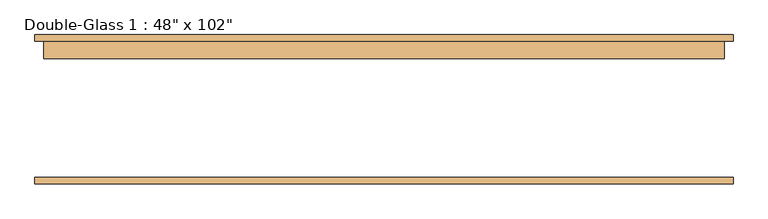
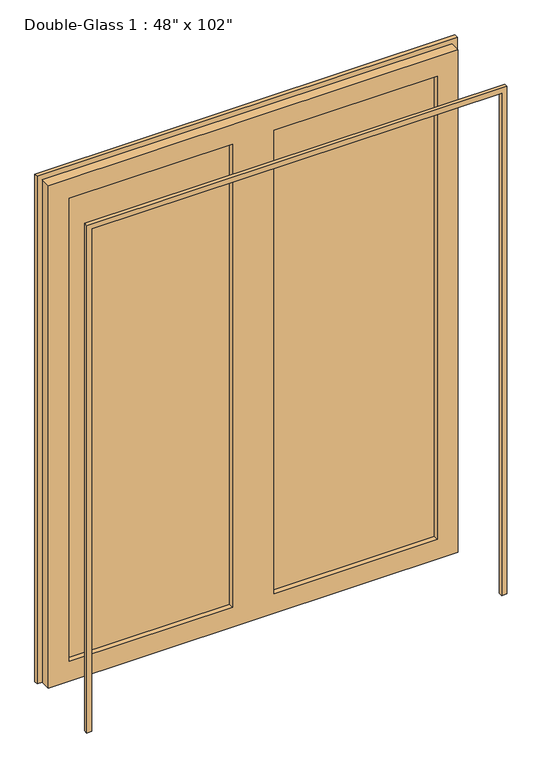
"""IFC4 building model written with IfcOpenShell, lengths in millimetres: door geometry."""

import ifcopenshell
import ifcopenshell.guid

model = None  # the IFC model being written
_history = None  # IfcOwnerHistory: only IFC2X3 demands one
_inside = {}  # id of a spatial element -> (the spatial element, [elements in it])
_under = {}  # id of a project, library or spatial element -> (it, [spatial elements below it])
_declared = {}  # id of a project -> (the project, [libraries it declares])
_typed = {}  # id of a type object -> (the type object, [elements of that type])
_made_of = {}  # id of a material, layer set ... -> (it, [elements and type objects made of it])


def new_model(schema):
    """Start an empty IFC model of exactly this schema.

    Asked for "IFC4X3", IfcOpenShell would pick the latest addendum, in which some entities
    have other attributes; the version numbers below select the first issue.
    IFC2X3 requires an IfcOwnerHistory on every rooted entity: one is made here for all.
    """
    global model, _history
    if schema == "IFC4X3":
        model = ifcopenshell.file(schema_version=(4, 3, 0, 0))
    else:
        model = ifcopenshell.file(schema=schema)
    _inside.clear()
    _under.clear()
    _declared.clear()
    _typed.clear()
    _made_of.clear()
    _history = None
    if model.schema == "IFC2X3":
        org = make("IfcOrganization", Name="unknown")
        user = make(
            "IfcPersonAndOrganization",
            ThePerson=make("IfcPerson", FamilyName="unknown"),
            TheOrganization=org,
        )
        app = make(
            "IfcApplication",
            ApplicationDeveloper=org,
            Version="unknown",
            ApplicationFullName="unknown",
            ApplicationIdentifier="unknown",
        )
        _history = make(
            "IfcOwnerHistory",
            OwningUser=user,
            OwningApplication=app,
            ChangeAction="ADDED",
            CreationDate=0,
        )
    return model


def make(cls, **values):
    """One entity of the class cls with the attributes given. An attribute that is None is left unset."""
    return model.create_entity(
        cls, **{name: value for name, value in values.items() if value is not None}
    )


def rooted(cls, **values):
    """An entity with a GlobalId (a new one), such as an element, a storey or a relation."""
    return make(cls, GlobalId=ifcopenshell.guid.new(), OwnerHistory=_history, **values)


def si_unit(unit_type, name, prefix=None):
    """IfcSIUnit, for example si_unit("LENGTHUNIT", "METRE", prefix="MILLI")."""
    return make("IfcSIUnit", UnitType=unit_type, Prefix=prefix, Name=name)


def assignment(units):
    """IfcUnitAssignment: the units of a project."""
    return None if units is None else make("IfcUnitAssignment", Units=units)


def point(xyz):
    """IfcCartesianPoint."""
    return None if xyz is None else make("IfcCartesianPoint", Coordinates=xyz)


def direction(xyz):
    """IfcDirection."""
    return None if xyz is None else make("IfcDirection", DirectionRatios=xyz)


def frame(location, z_axis=None, x_axis=None):
    """IfcAxis2Placement3D, a coordinate frame: its origin and axes. An axis left out is left unset."""
    return make(
        "IfcAxis2Placement3D",
        Location=point(location),
        Axis=direction(z_axis),
        RefDirection=direction(x_axis),
    )


def origin():
    """The frame at (0, 0, 0) with its axes left unset."""
    return frame((0.0, 0.0, 0.0))


def place(relative_to, where):
    """IfcLocalPlacement: puts the frame where relative to a parent placement (None: the world)."""
    return make(
        "IfcLocalPlacement", PlacementRelTo=relative_to, RelativePlacement=where
    )


def context(
    kind, dimensions, precision=None, world=None, true_north=None, identifier=None
):
    """IfcGeometricRepresentationContext, for example the 3D "Model" context."""
    return make(
        "IfcGeometricRepresentationContext",
        ContextIdentifier=identifier,
        ContextType=kind,
        CoordinateSpaceDimension=dimensions,
        Precision=precision,
        WorldCoordinateSystem=world,
        TrueNorth=true_north,
    )


def project(units=None, contexts=None):
    """IfcProject with its units and contexts."""
    return rooted(
        "IfcProject",
        Name="project",
        RepresentationContexts=contexts,
        UnitsInContext=assignment(units),
    )


def spatial(cls, under=None, at=None, **own):
    """A site, building, storey or space (cls), placed at a placement, below another one or the project."""
    s = rooted(cls, ObjectPlacement=at, **own)
    if under is not None:
        _under.setdefault(under.id(), (under, []))[1].append(s)
    return s


def polyline(points):
    """IfcPolyline through the points."""
    return make("IfcPolyline", Points=[point(p) for p in points])


def outline(outer, holes=None, kind="AREA"):
    """IfcArbitraryClosedProfileDef: a profile drawn as a closed curve; with holes, ...WithVoids."""
    if holes is None:
        return make("IfcArbitraryClosedProfileDef", ProfileType=kind, OuterCurve=outer)
    return make(
        "IfcArbitraryProfileDefWithVoids",
        ProfileType=kind,
        OuterCurve=outer,
        InnerCurves=holes,
    )


def extrude(swept, where, along, depth):
    """IfcExtrudedAreaSolid: the profile swept, set in the frame where, extruded along a direction by depth."""
    return make(
        "IfcExtrudedAreaSolid",
        SweptArea=swept,
        Position=where,
        ExtrudedDirection=direction(along),
        Depth=depth,
    )


def shape(context_of_items, identifier, shape_type, items):
    """IfcShapeRepresentation: the items that make up one representation, for example the "Body"."""
    return make(
        "IfcShapeRepresentation",
        ContextOfItems=context_of_items,
        RepresentationIdentifier=identifier,
        RepresentationType=shape_type,
        Items=items,
    )


def source(mapping_origin, context_of_items, identifier, shape_type, items):
    """IfcRepresentationMap: a shape defined once, which mapped items show again and again."""
    return make(
        "IfcRepresentationMap",
        MappingOrigin=mapping_origin,
        MappedRepresentation=shape(context_of_items, identifier, shape_type, items),
    )


def transform(
    local_origin,
    x_axis=None,
    y_axis=None,
    z_axis=None,
    scale=None,
    scale2=None,
    scale3=None,
    uniform=True,
):
    """IfcCartesianTransformationOperator3D, or its non-uniform kind. x_axis, y_axis, z_axis: its Axis1, 2, 3."""
    if uniform:
        return make(
            "IfcCartesianTransformationOperator3D",
            Axis1=direction(x_axis),
            Axis2=direction(y_axis),
            LocalOrigin=point(local_origin),
            Scale=scale,
            Axis3=direction(z_axis),
        )
    return make(
        "IfcCartesianTransformationOperator3DnonUniform",
        Axis1=direction(x_axis),
        Axis2=direction(y_axis),
        LocalOrigin=point(local_origin),
        Scale=scale,
        Axis3=direction(z_axis),
        Scale2=scale2,
        Scale3=scale3,
    )


def mapped(mapping_source, mapping_target):
    """IfcMappedItem: shows the shape of a source again, moved by a transform."""
    return make(
        "IfcMappedItem", MappingSource=mapping_source, MappingTarget=mapping_target
    )


def made_of(thing, what):
    """Note that an element or type object is made of a material, layer set ...; save() writes the relation."""
    if what is not None:
        _made_of.setdefault(what.id(), (what, []))[1].append(thing)
    return thing


def element(
    cls,
    number,
    at=None,
    inside=None,
    cuts=None,
    type_object=None,
    material=None,
    context=None,
    identifier="Body",
    shape_type=None,
    held_by="IfcProductDefinitionShape",
    body=None,
    shapes=None,
    **own,
):
    """One element of the class cls, such as IfcWall. Its Tag is "e" and its number.

    at: its placement. inside: the storey or other place that contains it. cuts: it is an
    opening in that element (IfcRelVoidsElement). A single representation is given by context,
    identifier, shape_type and body (its items); several are given by shapes. held_by: the class
    of the entity that holds the representations. save() writes the other relations.
    """
    e = rooted(cls, Tag="e%d" % number, ObjectPlacement=at, **own)
    if body is not None:
        shapes = [shape(context, identifier, shape_type, body)]
    if shapes is not None:
        e.Representation = make(held_by, Representations=shapes)
    if inside is not None:
        _inside.setdefault(inside.id(), (inside, []))[1].append(e)
    if cuts is not None:
        rooted(
            "IfcRelVoidsElement", RelatingBuildingElement=cuts, RelatedOpeningElement=e
        )
    if type_object is not None:
        _typed.setdefault(type_object.id(), (type_object, []))[1].append(e)
    return made_of(e, material)


def aggregate(whole, parts):
    """IfcRelAggregates: a whole, such as a stair, and the parts it consists of."""
    return rooted("IfcRelAggregates", RelatingObject=whole, RelatedObjects=parts)


def save(model, path):
    """Write the relations noted so far, then the file.

    IfcRelAggregates (storeys below a building ...), IfcRelContainedInSpatialStructure (elements
    in a storey), IfcRelDefinesByType, IfcRelAssociatesMaterial and IfcRelDeclares: one each for
    every whole, place, type object, material and project.
    """
    for whole, parts in _under.values():
        aggregate(whole, parts)
    for where, things in _inside.values():
        rooted(
            "IfcRelContainedInSpatialStructure",
            RelatedElements=things,
            RelatingStructure=where,
        )
    for kind, things in _typed.values():
        rooted("IfcRelDefinesByType", RelatedObjects=things, RelatingType=kind)
    for what, things in _made_of.values():
        rooted("IfcRelAssociatesMaterial", RelatedObjects=things, RelatingMaterial=what)
    for by, libraries in _declared.values():
        rooted("IfcRelDeclares", RelatingContext=by, RelatedDefinitions=libraries)
    model.write(path)


def door_c9e6964e(model_context):
    return source(origin(), model_context, "Body", "SweptSolid", [
        extrude(outline(polyline([(0.0, 1025.4), (2616.2, 1025.4), (2616.2, -1025.4), (0.0, -1025.4), (0.0, -1000.0), (2590.8, -1000.0), (2590.8, 1000.0), (0.0, 1000.0), (0.0, 1025.4)])), frame((0.0, -216.66875, 0.0), z_axis=(0.0, 1.0, 0.0), x_axis=(0.0, 0.0, 1.0)), (0.0, 0.0, 1.0), 19.05),
        extrude(outline(polyline([(2590.8, 1000.0), (0.0, 1000.0), (0.0, 1025.4), (2616.2, 1025.4), (2616.2, -1025.4), (0.0, -1025.4), (0.0, -1000.0), (2590.8, -1000.0), (2590.8, 1000.0)])), frame((0.0, 202.38125, 0.0), z_axis=(0.0, 1.0, 0.0), x_axis=(0.0, 0.0, 1.0)), (0.0, 0.0, 1.0), 19.05),
        extrude(outline(polyline([(898.4, 176.98125), (101.6, 176.98125), (101.6, 184.125), (898.4, 184.125), (898.4, 176.98125)])), frame((0.0, 0.0, 101.6), z_axis=(0.0, 0.0, 1.0), x_axis=(1.0, 0.0, 0.0)), (0.0, 0.0, 1.0), 2387.6),
        extrude(outline(polyline([(-101.6, 176.98125), (-898.4, 176.98125), (-898.4, 184.125), (-101.6, 184.125), (-101.6, 176.98125)])), frame((0.0, 0.0, 101.6), z_axis=(0.0, 0.0, 1.0), x_axis=(1.0, 0.0, 0.0)), (0.0, 0.0, 1.0), 2387.6),
        extrude(outline(polyline([(2590.8, 1000.0), (2590.8, -1000.0), (0.0, -1000.0), (0.0, 1000.0), (2590.8, 1000.0)]), holes=[polyline([(2489.2, -101.6), (101.6, -101.6), (101.6, -898.4), (2489.2, -898.4), (2489.2, -101.6)]), polyline([(2489.2, 898.4), (101.6, 898.4), (101.6, 101.6), (2489.2, 101.6), (2489.2, 898.4)])]), frame((0.0, 151.58125, 0.0), z_axis=(0.0, 1.0, 0.0), x_axis=(0.0, 0.0, 1.0)), (0.0, 0.0, 1.0), 50.8),
    ])


if __name__ == "__main__":
    model = new_model("IFC4")
    model_context = context("Model", 3, world=origin())
    ifc_project = project(units=[si_unit("LENGTHUNIT", "METRE", prefix="MILLI")], contexts=[model_context])
    site = spatial("IfcSite", under=ifc_project)
    building = spatial("IfcBuilding", under=site)
    placement = place(None, origin())
    door_shape = door_c9e6964e(model_context)
    element("IfcDoor", 1, ObjectType="Double-Glass 1 : 48\" x 102\"", at=placement, inside=building, context=model_context, shape_type="MappedRepresentation", body=[
        mapped(door_shape, transform((0.0, 0.0, 0.0), x_axis=(1.0, 0.0, 0.0), y_axis=(0.0, 1.0, 0.0), z_axis=(0.0, 0.0, 1.0))),
    ])
    save(model, "model.ifc")
